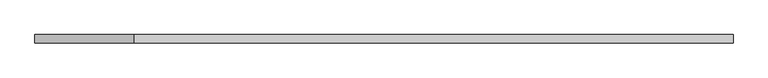
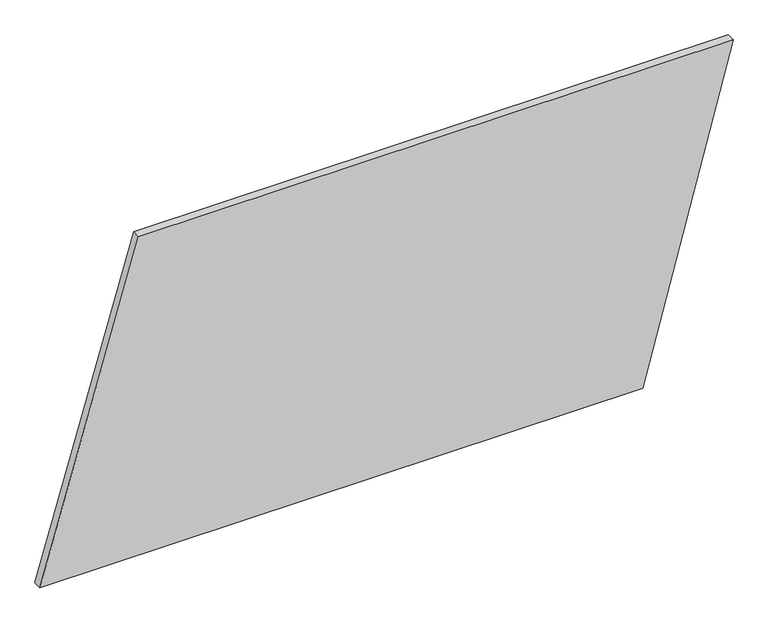
"""IFC4 building model written with IfcOpenShell, lengths in millimetres: plate geometry."""

from ifc_helpers import new_model, si_unit, frame, origin, place, context, project, spatial, polyline, outline, extrude, source, transform, mapped, element, save


def plate_2d62b24f(model_context):
    return source(origin(), model_context, "Body", "SweptSolid", [
        extrude(outline(polyline([(0.0, -1029.657878), (0.0, 761.7086856), (1000.0, 1029.657878), (1000.0, -736.4124294), (0.0, -1029.657878)])), frame((0.0, 24.5, 0.0), z_axis=(0.0, 1.0, 0.0), x_axis=(0.0, 0.0, 1.0)), (0.0, 0.0, 1.0), 25.0),
    ])


if __name__ == "__main__":
    model = new_model("IFC4")
    model_context = context("Model", 3, world=origin())
    ifc_project = project(units=[si_unit("LENGTHUNIT", "METRE", prefix="MILLI")], contexts=[model_context])
    site = spatial("IfcSite", under=ifc_project)
    building = spatial("IfcBuilding", under=site)
    placement = place(None, origin())
    plate_shape = plate_2d62b24f(model_context)
    element("IfcPlate", 1, at=placement, inside=building, context=model_context, shape_type="MappedRepresentation", body=[
        mapped(plate_shape, transform((0.0, 0.0, 0.0), x_axis=(1.0, 0.0, 0.0), y_axis=(0.0, 1.0, 0.0), z_axis=(0.0, 0.0, 1.0))),
    ])
    save(model, "model.ifc")
